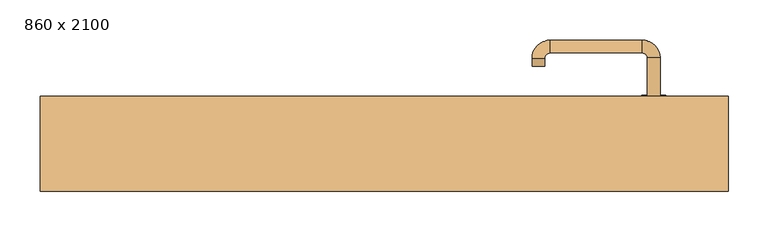
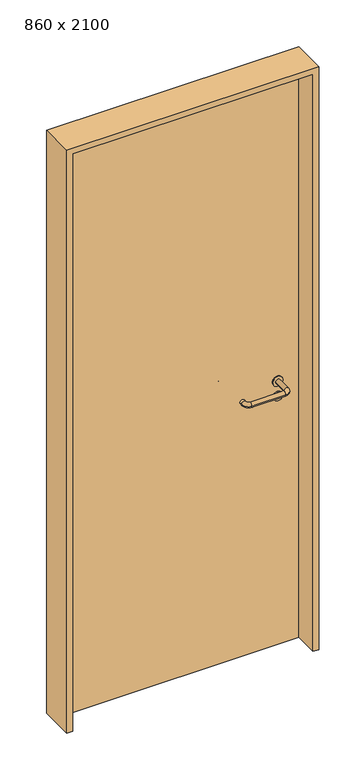
"""IFC4 building model written with IfcOpenShell, lengths in millimetres: door geometry, 860 x 2100."""

from ifc_helpers import new_model, si_unit, point, frame, frame_2d, origin, origin_with_axes, place, context, project, spatial, polyline, circle_curve, ellipse_curve, trimmed, segment, composite_curve, outline, extrude, source, transform, mapped, element, save
from ifc_brep_helpers import plane_surface, cylinder_surface, revolved_surface, advanced_brep


def door_860_x_2100_b62bb26a(model_context):
    return source(origin(), model_context, "Body", "SolidModel", [
        extrude(outline(composite_curve([segment(trimmed(circle_curve(frame_2d((897.3605726, 337.0)), 15.0), [point((897.3605726, 352.0))], [point((897.3605726, 322.0))], False, "CARTESIAN"), True, "CONTINUOUS"), segment(trimmed(circle_curve(frame_2d((897.3605726, 337.0)), 15.0), [point((897.3605726, 322.0))], [point((897.3605726, 352.0))], False, "CARTESIAN"), True, "CONTINUOUS")], self_intersect=False), holes=[composite_curve([segment(trimmed(circle_curve(frame_2d((892.5833211, 336.9398032)), 2.0), [point((892.5833211, 338.9398032))], [point((892.5833211, 334.9398032))], True, "CARTESIAN"), True, "CONTINUOUS"), segment(polyline([(892.5833211, 334.9398032), (902.5833211, 334.9398032)]), True, "CONTINUOUS"), segment(trimmed(circle_curve(frame_2d((902.5833211, 336.9398032)), 2.0), [point((902.5833211, 334.9398032))], [point((902.5833211, 338.9398032))], True, "CARTESIAN"), True, "CONTINUOUS"), segment(polyline([(902.5833211, 338.9398032), (892.5833211, 338.9398032)]), True, "CONTINUOUS")], self_intersect=False)]), frame((0.0, 18.65, 0.0), z_axis=(0.0, 1.0, 0.0), x_axis=(0.0, 0.0, 1.0)), (0.0, 0.0, 1.0), 6.35),
        extrude(outline(composite_curve([segment(trimmed(circle_curve(frame_2d((950.0, 337.0)), 17.526), [point((950.0, 354.526))], [point((950.0, 319.474))], False, "CARTESIAN"), True, "CONTINUOUS"), segment(trimmed(circle_curve(frame_2d((950.0, 337.0)), 17.526), [point((950.0, 319.474))], [point((950.0, 354.526))], False, "CARTESIAN"), True, "CONTINUOUS")], self_intersect=False)), frame((0.0, 21.825, 0.0), z_axis=(0.0, 1.0, 0.0), x_axis=(0.0, 0.0, 1.0)), (0.0, 0.0, 1.0), 3.175),
        advanced_brep(
        [(345.0, 25.0, 950.0), (329.0, 25.0, 950.0), (329.0, -28.0, 950.0), (345.0, -28.0, 950.0), (322.8578644, -34.1421356, 950.0), (322.8578644, -50.1421356, 950.0), (207.8578644, -34.1421356, 950.0), (207.8578644, -50.1421356, 950.0), (201.008622, -27.2928932, 950.0), (185.008622, -27.2928932, 950.0), (185.008622, -17.2928932, 950.0), (201.008622, -17.2928932, 950.0)],
        [
            (0, 1, circle_curve(frame((337.0, 25.0, 950.0), z_axis=(0.0, 1.0, 0.0), x_axis=(-1.0, 0.0, 0.0)), 8.0)),
            (1, 0, circle_curve(frame((337.0, 25.0, 950.0), z_axis=(0.0, 1.0, 0.0), x_axis=(-1.0, 0.0, 0.0)), 8.0)),
            (1, 2),
            (2, 3, circle_curve(frame((337.0, -28.0, 950.0), z_axis=(0.0, 1.0, 0.0), x_axis=(-1.0, 0.0, 0.0)), 8.0)),
            (3, 0),
            (3, 2, circle_curve(frame((337.0, -28.0, 950.0), z_axis=(0.0, 1.0, 0.0), x_axis=(-1.0, 0.0, 0.0)), 8.0)),
            (4, 5, circle_curve(frame((322.8578644, -42.1421356, 950.0), z_axis=(1.0, 0.0, 0.0), x_axis=(0.0, 1.0, 0.0)), 8.0)),
            (5, 3, circle_curve(frame((322.8578644, -28.0, 950.0), z_axis=(0.0, 0.0, 1.0), x_axis=(1.0, 0.0, 0.0)), 22.1421356)),
            (2, 4, circle_curve(frame((322.8578644, -28.0, 950.0), z_axis=(0.0, 0.0, -1.0), x_axis=(1.0, 0.0, 0.0)), 6.1421356)),
            (5, 4, circle_curve(frame((322.8578644, -42.1421356, 950.0), z_axis=(1.0, 0.0, 0.0), x_axis=(0.0, 1.0, 0.0)), 8.0)),
            (4, 6),
            (6, 7, circle_curve(frame((207.8578644, -42.1421356, 950.0), z_axis=(1.0, 0.0, 0.0), x_axis=(0.0, 1.0, 0.0)), 8.0)),
            (7, 5),
            (7, 6, circle_curve(frame((207.8578644, -42.1421356, 950.0), z_axis=(1.0, 0.0, 0.0), x_axis=(0.0, 1.0, 0.0)), 8.0)),
            (8, 9, circle_curve(frame((193.008622, -27.2928932, 950.0), z_axis=(0.0, -1.0, 0.0), x_axis=(1.0, 0.0, 0.0)), 8.0)),
            (9, 7, circle_curve(frame((207.8578644, -27.2928932, 950.0), z_axis=(0.0, 0.0, 1.0), x_axis=(0.0, -1.0, 0.0)), 22.8492424)),
            (6, 8, circle_curve(frame((207.8578644, -27.2928932, 950.0), z_axis=(0.0, 0.0, -1.0), x_axis=(0.0, -1.0, 0.0)), 6.8492424)),
            (9, 8, circle_curve(frame((193.008622, -27.2928932, 950.0), z_axis=(0.0, -1.0, 0.0), x_axis=(1.0, 0.0, 0.0)), 8.0)),
            (10, 11, circle_curve(frame((193.008622, -17.2928932, 950.0), z_axis=(0.0, 1.0, 0.0), x_axis=(1.0, 0.0, 0.0)), 8.0)),
            (11, 10, circle_curve(frame((193.008622, -17.2928932, 950.0), z_axis=(0.0, 1.0, 0.0), x_axis=(1.0, 0.0, 0.0)), 8.0)),
            (8, 11),
            (10, 9),
        ],
        [
            plane_surface(frame((337.0, 25.0, 0.0), z_axis=(0.0, 1.0, 0.0), x_axis=(0.0, 0.0, 1.0))),
            cylinder_surface(frame((337.0, 25.0, 950.0), z_axis=(0.0, 1.0, 0.0), x_axis=(-1.0, 0.0, 0.0)), 8.0),
            revolved_surface(trimmed(ellipse_curve(frame((337.0, -28.0, 950.0), z_axis=(0.0, -1.0, 0.0), x_axis=(-1.0, 0.0, 0.0)), 8.0, 8.0), [point((345.0, -28.0, 950.0))], [point((329.0, -28.0, 950.0))], True, "CARTESIAN"), (322.8578644, -28.0, 0.0), (0.0, 0.0, 1.0)),
            revolved_surface(trimmed(ellipse_curve(frame((337.0, -28.0, 950.0), z_axis=(0.0, -1.0, 0.0), x_axis=(-1.0, 0.0, 0.0)), 8.0, 8.0), [point((329.0, -28.0, 950.0))], [point((345.0, -28.0, 950.0))], True, "CARTESIAN"), (322.8578644, -28.0, 0.0), (0.0, 0.0, 1.0)),
            cylinder_surface(frame((322.8578644, -42.1421356, 950.0), z_axis=(1.0, 0.0, 0.0), x_axis=(0.0, 1.0, 0.0)), 8.0),
            revolved_surface(trimmed(ellipse_curve(frame((207.8578644, -42.1421356, 950.0), z_axis=(-1.0, 0.0, 0.0), x_axis=(0.0, 1.0, 0.0)), 8.0, 8.0), [point((207.8578644, -50.1421356, 950.0))], [point((207.8578644, -34.1421356, 950.0))], True, "CARTESIAN"), (207.8578644, -27.2928932, 0.0), (0.0, 0.0, 1.0)),
            revolved_surface(trimmed(ellipse_curve(frame((207.8578644, -42.1421356, 950.0), z_axis=(-1.0, 0.0, 0.0), x_axis=(0.0, 1.0, 0.0)), 8.0, 8.0), [point((207.8578644, -34.1421356, 950.0))], [point((207.8578644, -50.1421356, 950.0))], True, "CARTESIAN"), (207.8578644, -27.2928932, 0.0), (0.0, 0.0, 1.0)),
            plane_surface(frame((193.008622, -17.2928932, 0.0), z_axis=(0.0, 1.0, 0.0), x_axis=(0.0, 0.0, 1.0))),
            cylinder_surface(frame((193.008622, -27.2928932, 950.0), z_axis=(0.0, -1.0, 0.0), x_axis=(1.0, 0.0, 0.0)), 8.0),
        ],
        [
            (0, [[1, 2]]),
            (1, [[3, 4, 5, -2]]),
            (1, [[-5, 6, -3, -1]]),
            (2, [[7, 8, -4, 9]]),
            (3, [[10, -9, -6, -8]]),
            (4, [[11, 12, 13, -7]]),
            (4, [[-13, 14, -11, -10]]),
            (5, [[15, 16, -12, 17]]),
            (6, [[18, -17, -14, -16]]),
            (7, [[19, 20]]),
            (8, [[21, -19, 22, -15]]),
            (8, [[-22, -20, -21, -18]]),
        ],
    ),
        extrude(outline(composite_curve([segment(trimmed(circle_curve(frame_2d((0.0, -15.0)), 15.0), [point((0.0, -30.0))], [point((0.0, 0.0))], False, "CARTESIAN"), True, "CONTINUOUS"), segment(trimmed(circle_curve(frame_2d((0.0, -15.0)), 15.0), [point((0.0, 0.0))], [point((0.0, -30.0))], False, "CARTESIAN"), True, "CONTINUOUS")], self_intersect=False), holes=[composite_curve([segment(trimmed(circle_curve(frame_2d((4.7772515, -14.9398032)), 2.0), [point((4.7772515, -16.9398032))], [point((4.7772515, -12.9398032))], True, "CARTESIAN"), True, "CONTINUOUS"), segment(polyline([(4.7772515, -12.9398032), (-5.2227485, -12.9398032)]), True, "CONTINUOUS"), segment(trimmed(circle_curve(frame_2d((-5.2227485, -14.9398032)), 2.0), [point((-5.2227485, -12.9398032))], [point((-5.2227485, -16.9398032))], True, "CARTESIAN"), True, "CONTINUOUS"), segment(polyline([(-5.2227485, -16.9398032), (4.7772515, -16.9398032)]), True, "CONTINUOUS")], self_intersect=False)]), frame((322.0, 55.0, 897.3605726), z_axis=(1.8870575173328306e-12, 1.0, 0.0), x_axis=(0.0, 0.0, -1.0)), (0.0, 0.0, 1.0), 6.35),
        extrude(outline(composite_curve([segment(trimmed(circle_curve(frame_2d((0.0, -17.526)), 17.526), [point((0.0, -35.052))], [point((0.0, 0.0))], False, "CARTESIAN"), True, "CONTINUOUS"), segment(trimmed(circle_curve(frame_2d((0.0, -17.526)), 17.526), [point((0.0, 0.0))], [point((0.0, -35.052))], False, "CARTESIAN"), True, "CONTINUOUS")], self_intersect=False)), frame((319.474, 55.0, 950.0), z_axis=(1.8870575173328306e-12, 1.0, 0.0), x_axis=(0.0, 0.0, -1.0)), (0.0, 0.0, 1.0), 3.175),
        advanced_brep(
        [(345.0, 55.0, 950.0), (329.0, 55.0, 950.0), (345.0, 108.0, 950.0), (329.0, 108.0, 950.0), (322.8578644, 114.1421356, 950.0), (322.8578644, 130.1421356, 950.0), (207.8578644, 130.1421356, 950.0), (207.8578644, 114.1421356, 950.0), (201.008622, 107.2928932, 950.0), (185.008622, 107.2928932, 950.0), (185.008622, 97.2928932, 950.0), (201.008622, 97.2928932, 950.0)],
        [
            (0, 1, circle_curve(frame((337.0, 55.0, 950.0), z_axis=(-1.888672253512351e-12, -1.0, 0.0), x_axis=(-1.0, 1.888672253512351e-12, 0.0)), 8.0)),
            (1, 0, circle_curve(frame((337.0, 55.0, 950.0), z_axis=(-1.888672253512351e-12, -1.0, 0.0), x_axis=(-1.0, 1.888672253512351e-12, 0.0)), 8.0)),
            (0, 2),
            (2, 3, circle_curve(frame((337.0, 108.0, 950.0), z_axis=(-1.888672253512351e-12, -1.0, 0.0), x_axis=(-1.0, 1.888672253512351e-12, 0.0)), 8.0)),
            (3, 1),
            (3, 2, circle_curve(frame((337.0, 108.0, 950.0), z_axis=(-1.888672253512351e-12, -1.0, 0.0), x_axis=(-1.0, 1.888672253512351e-12, 0.0)), 8.0)),
            (4, 3, circle_curve(frame((322.8578644, 108.0, 950.0), z_axis=(0.0, 0.0, -1.0), x_axis=(1.0, -1.880717803715015e-12, 0.0)), 6.1421356)),
            (2, 5, circle_curve(frame((322.8578644, 108.0, 950.0), z_axis=(0.0, 0.0, 1.0), x_axis=(1.0, -1.880717803715015e-12, 0.0)), 22.1421356)),
            (5, 4, circle_curve(frame((322.8578644, 122.1421356, 950.0), z_axis=(1.0, -1.913702061528922e-12, 0.0), x_axis=(-1.913702061528922e-12, -1.0, 0.0)), 8.0)),
            (4, 5, circle_curve(frame((322.8578644, 122.1421356, 950.0), z_axis=(1.0, -1.913702061528922e-12, 0.0), x_axis=(-1.913702061528922e-12, -1.0, 0.0)), 8.0)),
            (5, 6),
            (6, 7, circle_curve(frame((207.8578644, 122.1421356, 950.0), z_axis=(1.0, -1.913719828541269e-12, 0.0), x_axis=(-1.913719828541269e-12, -1.0, 0.0)), 8.0)),
            (7, 4),
            (7, 6, circle_curve(frame((207.8578644, 122.1421356, 950.0), z_axis=(1.0, -1.913719828541269e-12, 0.0), x_axis=(-1.913719828541269e-12, -1.0, 0.0)), 8.0)),
            (8, 7, circle_curve(frame((207.8578644, 107.2928932, 950.0), z_axis=(0.0, 0.0, -1.0), x_axis=(1.9120873253494017e-12, 1.0, 0.0)), 6.8492424)),
            (6, 9, circle_curve(frame((207.8578644, 107.2928932, 950.0), z_axis=(0.0, 0.0, 1.0), x_axis=(1.9120873253494017e-12, 1.0, 0.0)), 22.8492424)),
            (9, 8, circle_curve(frame((193.008622, 107.2928932, 950.0), z_axis=(1.890448610351751e-12, 1.0, 0.0), x_axis=(1.0, -1.890448610351751e-12, 0.0)), 8.0)),
            (8, 9, circle_curve(frame((193.008622, 107.2928932, 950.0), z_axis=(1.8888942981172756e-12, 1.0, 0.0), x_axis=(1.0, -1.8888942981172756e-12, 0.0)), 8.0)),
            (10, 11, circle_curve(frame((193.008622, 97.2928932, 950.0), z_axis=(-1.8903642334018795e-12, -1.0, 0.0), x_axis=(1.0, -1.8903642334018795e-12, 0.0)), 8.0)),
            (11, 10, circle_curve(frame((193.008622, 97.2928932, 950.0), z_axis=(-1.8903642334018795e-12, -1.0, 0.0), x_axis=(1.0, -1.8903642334018795e-12, 0.0)), 8.0)),
            (9, 10),
            (11, 8),
        ],
        [
            plane_surface(frame((337.0, 55.0, 0.0), z_axis=(-1.8870575173328306e-12, -1.0, 0.0), x_axis=(0.0, 0.0, 1.0))),
            cylinder_surface(frame((337.0, 55.0, 950.0), z_axis=(-1.888672253512351e-12, -1.0, 0.0), x_axis=(-1.0, 1.888672253512351e-12, 0.0)), 8.0),
            revolved_surface(trimmed(ellipse_curve(frame((337.0, 108.0, 950.0), z_axis=(-1.8823325398945356e-12, -1.0, 0.0), x_axis=(-1.0, 1.8823325398945356e-12, 0.0)), 8.0, 8.0), [point((345.0, 108.0, 950.0))], [point((329.0, 108.0, 950.0))], True, "CARTESIAN"), (322.8578644, 108.0, 0.0), (0.0, 0.0, 1.0)),
            revolved_surface(trimmed(ellipse_curve(frame((337.0, 108.0, 950.0), z_axis=(-1.8823325398945356e-12, -1.0, 0.0), x_axis=(-1.0, 1.8823325398945356e-12, 0.0)), 8.0, 8.0), [point((329.0, 108.0, 950.0))], [point((345.0, 108.0, 950.0))], True, "CARTESIAN"), (322.8578644, 108.0, 0.0), (0.0, 0.0, 1.0)),
            cylinder_surface(frame((322.8578644, 122.1421356, 950.0), z_axis=(1.0, -1.913719828541269e-12, 0.0), x_axis=(-1.913719828541269e-12, -1.0, 0.0)), 8.0),
            revolved_surface(trimmed(ellipse_curve(frame((207.8578644, 122.1421356, 950.0), z_axis=(1.0, -1.913702061528922e-12, 0.0), x_axis=(-1.913702061528922e-12, -1.0, 0.0)), 8.0, 8.0), [point((207.8578644, 130.1421356, 950.0))], [point((207.8578644, 114.1421356, 950.0))], True, "CARTESIAN"), (207.8578644, 107.2928932, 0.0), (0.0, 0.0, 1.0)),
            revolved_surface(trimmed(ellipse_curve(frame((207.8578644, 122.1421356, 950.0), z_axis=(1.0, -1.913702061528922e-12, 0.0), x_axis=(-1.913702061528922e-12, -1.0, 0.0)), 8.0, 8.0), [point((207.8578644, 114.1421356, 950.0))], [point((207.8578644, 130.1421356, 950.0))], True, "CARTESIAN"), (207.8578644, 107.2928932, 0.0), (0.0, 0.0, 1.0)),
            plane_surface(frame((193.008622, 97.2928932, 0.0), z_axis=(-1.8887494972223595e-12, -1.0, 0.0), x_axis=(0.0, 0.0, 1.0))),
            cylinder_surface(frame((193.008622, 107.2928932, 950.0), z_axis=(1.8903642334018795e-12, 1.0, 0.0), x_axis=(1.0, -1.8903642334018795e-12, 0.0)), 8.0),
        ],
        [
            (0, [[1, 2]]),
            (1, [[-1, 3, 4, 5]]),
            (1, [[-2, -5, 6, -3]]),
            (2, [[7, -4, 8, 9]]),
            (3, [[-8, -6, -7, 10]]),
            (4, [[-9, 11, 12, 13]]),
            (4, [[-10, -13, 14, -11]]),
            (5, [[15, -12, 16, 17]]),
            (6, [[-16, -14, -15, 18]]),
            (7, [[19, 20]]),
            (8, [[-17, 21, -20, 22]]),
            (8, [[-18, -22, -19, -21]]),
        ],
    ),
        extrude(outline(polyline([(2080.0, 410.0), (0.0, 410.0), (0.0, 430.0), (2100.0, 430.0), (2100.0, -430.0), (0.0, -430.0), (0.0, -410.0), (2080.0, -410.0), (2080.0, 410.0)])), frame((0.0, -59.0, 0.0), z_axis=(0.0, 1.0, 0.0), x_axis=(0.0, 0.0, 1.0)), (0.0, 0.0, 1.0), 119.0),
        extrude(outline(polyline([(-410.0, 55.0), (410.0, 55.0), (410.0, 25.0), (-410.0, 25.0), (-410.0, 55.0)])), origin_with_axes(), (0.0, 0.0, 1.0), 2080.0),
    ])


if __name__ == "__main__":
    model = new_model("IFC4")
    model_context = context("Model", 3, world=origin())
    ifc_project = project(units=[si_unit("LENGTHUNIT", "METRE", prefix="MILLI")], contexts=[model_context])
    site = spatial("IfcSite", under=ifc_project)
    building = spatial("IfcBuilding", under=site)
    placement = place(None, origin())
    door_860_x_2100_shape = door_860_x_2100_b62bb26a(model_context)
    element("IfcDoor", 1, ObjectType="860 x 2100", at=placement, inside=building, context=model_context, shape_type="MappedRepresentation", body=[
        mapped(door_860_x_2100_shape, transform((0.0, 0.0, 0.0), x_axis=(1.0, 0.0, 0.0), y_axis=(0.0, 1.0, 0.0), z_axis=(0.0, 0.0, 1.0))),
    ])
    save(model, "model.ifc")
